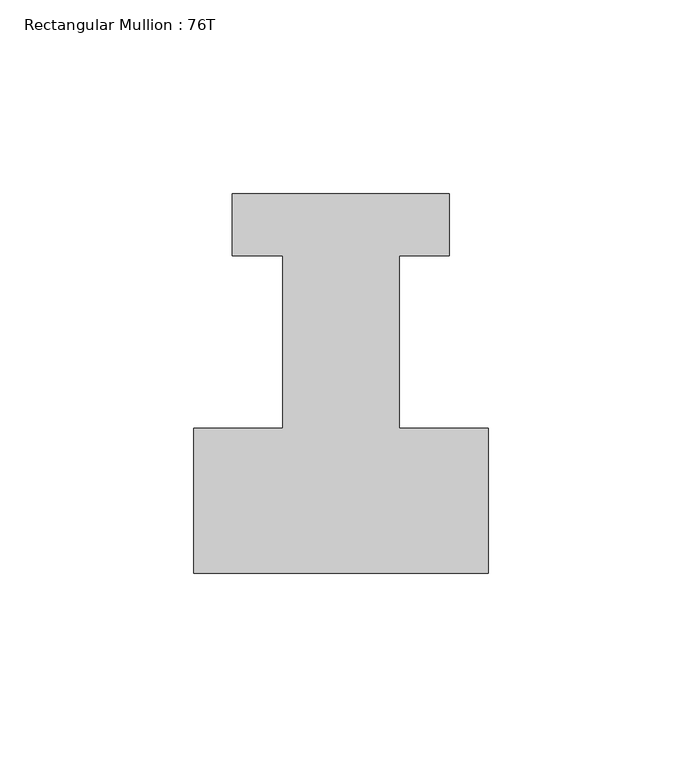
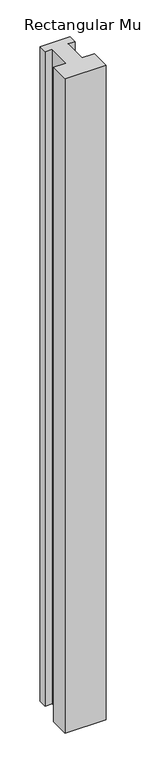
"""IFC4 building model written with IfcOpenShell, lengths in millimetres: member geometry, Rectangular Mullion : 76T."""

from ifc_helpers import new_model, si_unit, frame, origin, place, context, project, spatial, polyline, outline, extrude, source, transform, mapped, element, save


def rectangular_mullion_76t_d1b147cf(model_context):
    return source(origin(), model_context, "Body", "SweptSolid", [
        extrude(outline(polyline([(0.0, -38.0), (-76.0, -38.0), (-76.0, -0.5), (-53.0, -0.5), (-53.0, 44.0), (-66.0, 44.0), (-66.0, 60.0), (-10.0, 60.0), (-10.0, 44.0), (-23.0, 44.0), (-23.0, -0.5), (0.0, -0.5), (0.0, -38.0)])), frame((0.0, 0.0, -1286.0), z_axis=(0.0, 0.0, 1.0), x_axis=(1.0, 0.0, 0.0)), (0.0, 0.0, 1.0), 1286.0),
    ])


if __name__ == "__main__":
    model = new_model("IFC4")
    model_context = context("Model", 3, world=origin())
    ifc_project = project(units=[si_unit("LENGTHUNIT", "METRE", prefix="MILLI")], contexts=[model_context])
    site = spatial("IfcSite", under=ifc_project)
    building = spatial("IfcBuilding", under=site)
    placement = place(None, origin())
    rectangular_mullion_76t_shape = rectangular_mullion_76t_d1b147cf(model_context)
    element("IfcMember", 1, ObjectType="Rectangular Mullion : 76T", at=placement, inside=building, context=model_context, shape_type="MappedRepresentation", body=[
        mapped(rectangular_mullion_76t_shape, transform((0.0, 0.0, 0.0), x_axis=(1.0, 0.0, 0.0), y_axis=(0.0, 1.0, 0.0), z_axis=(0.0, 0.0, 1.0))),
    ])
    save(model, "model.ifc")
